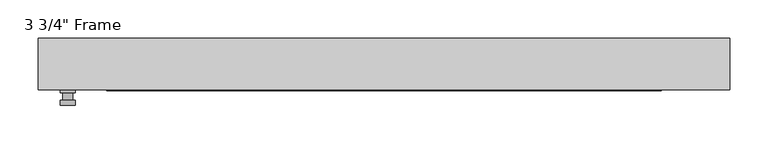
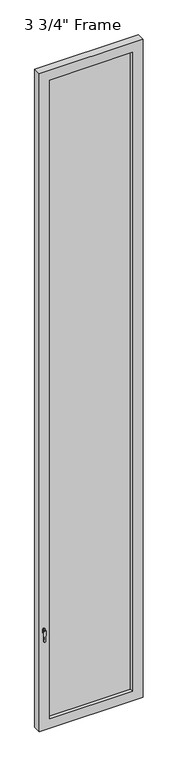
"""IFC4 building model written with IfcOpenShell, lengths in millimetres: plate geometry."""

from ifc_helpers import new_model, si_unit, frame, origin, place, context, project, spatial, polyline, circle_curve, outline, extrude, faceted_brep, source, transform, mapped, element, save
from ifc_brep_helpers import plane_surface, cylinder_surface, advanced_brep


def plate_312d7d65(model_context):
    return source(origin(), model_context, "Body", "SolidModel", [
        advanced_brep(
        [(-401.6375, -33.3375, 927.1), (-401.6375, -33.3375, 901.7), (-420.6875, -33.3375, 901.7), (-420.6875, -33.3375, 927.1), (-404.8125, -46.0375, 914.4), (-417.5125, -46.0375, 914.4), (-417.5125, -36.5125, 914.4), (-404.8125, -36.5125, 914.4), (-401.6375, -46.0375, 914.4), (-404.8165356, -46.0375, 825.2736467), (-417.5084644, -46.0375, 825.2736467), (-420.6875, -46.0375, 914.4), (-401.6375, -52.3875, 914.4), (-420.6875, -52.3875, 914.4), (-417.5084644, -52.3875, 825.2736467), (-404.8165356, -52.3875, 825.2736467), (-401.6375, -36.5125, 927.1), (-420.6875, -36.5125, 927.1), (-420.6875, -36.5125, 901.7), (-401.6375, -36.5125, 901.7)],
        [
            (0, 1),
            (1, 2, circle_curve(frame((-411.1625, -33.3375, 901.7), z_axis=(0.0, 1.0, 0.0), x_axis=(-1.0, 0.0, 0.0)), 9.525)),
            (2, 3),
            (3, 0, circle_curve(frame((-411.1625, -33.3375, 927.1), z_axis=(0.0, 1.0, 0.0), x_axis=(-1.0, 0.0, 0.0)), 9.525)),
            (4, 5, circle_curve(frame((-411.1625, -46.0375, 914.4), z_axis=(0.0, 1.0, 0.0), x_axis=(-1.0, 0.0, 0.0)), 6.35)),
            (5, 6),
            (6, 7, circle_curve(frame((-411.1625, -36.5125, 914.4), z_axis=(0.0, -1.0, 0.0), x_axis=(-1.0, 0.0, 0.0)), 6.35)),
            (7, 4),
            (5, 4, circle_curve(frame((-411.1625, -46.0375, 914.4), z_axis=(0.0, 1.0, 0.0), x_axis=(-1.0, 0.0, 0.0)), 6.35)),
            (7, 6, circle_curve(frame((-411.1625, -36.5125, 914.4), z_axis=(0.0, -1.0, 0.0), x_axis=(-1.0, 0.0, 0.0)), 6.35)),
            (8, 9),
            (9, 10, circle_curve(frame((-411.1625, -46.0375, 825.5), z_axis=(0.0, 1.0, 0.0), x_axis=(-1.0, 0.0, 0.0)), 6.35)),
            (10, 11),
            (11, 8, circle_curve(frame((-411.1625, -46.0375, 914.4), z_axis=(0.0, 1.0, 0.0), x_axis=(-1.0, 0.0, 0.0)), 9.525)),
            (12, 13, circle_curve(frame((-411.1625, -52.3875, 914.4), z_axis=(0.0, -1.0, 0.0), x_axis=(-1.0, 0.0, 0.0)), 9.525)),
            (13, 14),
            (14, 15, circle_curve(frame((-411.1625, -52.3875, 825.5), z_axis=(0.0, -1.0, 0.0), x_axis=(-1.0, 0.0, 0.0)), 6.35)),
            (15, 12),
            (8, 12),
            (15, 9),
            (14, 10),
            (13, 11),
            (16, 17, circle_curve(frame((-411.1625, -36.5125, 927.1), z_axis=(0.0, -1.0, 0.0), x_axis=(-1.0, 0.0, 0.0)), 9.525)),
            (17, 18),
            (18, 19, circle_curve(frame((-411.1625, -36.5125, 901.7), z_axis=(0.0, -1.0, 0.0), x_axis=(-1.0, 0.0, 0.0)), 9.525)),
            (19, 16),
            (0, 16),
            (19, 1),
            (18, 2),
            (17, 3),
        ],
        [
            plane_surface(frame((-417.5125, -33.3375, 914.4), z_axis=(0.0, 1.0, 0.0), x_axis=(0.0, 0.0, 1.0))),
            cylinder_surface(frame((-411.1625, -46.0375, 914.4), z_axis=(0.0, 1.0, 0.0), x_axis=(-1.0, 0.0, 0.0)), 6.35),
            plane_surface(frame((-401.6375, -46.0375, 914.4), z_axis=(0.0, 1.0000000000000002, 0.0), x_axis=(-0.03564619348186888, 0.0, -0.9993644724975235))),
            plane_surface(frame((-401.6375, -52.3875, 914.4), z_axis=(0.0, -1.0000000000000002, 0.0), x_axis=(0.03564619348186888, 0.0, 0.9993644724975235))),
            plane_surface(frame((-401.6375, -46.0375, 914.4), z_axis=(0.9993644724975235, 0.0, -0.03564619348186888), x_axis=(0.0, -1.0, 0.0))),
            cylinder_surface(frame((-411.1625, -52.3875, 825.5), z_axis=(0.0, 1.0, 0.0), x_axis=(-1.0, 0.0, 0.0)), 6.35),
            plane_surface(frame((-417.5084644, -46.0375, 825.2736467), z_axis=(-0.9993644724975228, 0.0, -0.03564619348188612), x_axis=(0.0, -1.0, 0.0))),
            cylinder_surface(frame((-411.1625, -52.3875, 914.4), z_axis=(0.0, 1.0, 0.0), x_axis=(-1.0, 0.0, 0.0)), 9.525),
            plane_surface(frame((-401.6375, -36.5125, 901.7), z_axis=(0.0, -1.0, 0.0), x_axis=(0.0, 0.0, 1.0))),
            plane_surface(frame((-401.6375, -33.3375, 927.1), z_axis=(1.0, 0.0, 0.0), x_axis=(0.0, -1.0, 0.0))),
            cylinder_surface(frame((-411.1625, -36.5125, 901.7), z_axis=(0.0, 1.0, 0.0), x_axis=(-1.0, 0.0, 0.0)), 9.525),
            plane_surface(frame((-420.6875, -33.3375, 901.7), z_axis=(-1.0, 0.0, 0.0), x_axis=(0.0, -1.0, 0.0))),
            cylinder_surface(frame((-411.1625, -36.5125, 927.1), z_axis=(0.0, 1.0, 0.0), x_axis=(-1.0, 0.0, 0.0)), 9.525),
        ],
        [
            (0, [[1, 2, 3, 4]]),
            (1, [[5, 6, 7, 8]]),
            (1, [[9, -8, 10, -6]]),
            (2, [[11, 12, 13, 14], [-5, -9]]),
            (3, [[15, 16, 17, 18]]),
            (4, [[-11, 19, -18, 20]]),
            (5, [[-12, -20, -17, 21]]),
            (6, [[-13, -21, -16, 22]]),
            (7, [[-14, -22, -15, -19]]),
            (8, [[23, 24, 25, 26], [-7, -10]]),
            (9, [[-1, 27, -26, 28]]),
            (10, [[-2, -28, -25, 29]]),
            (11, [[-3, -29, -24, 30]]),
            (12, [[-4, -30, -23, -27]]),
        ],
    ),
        faceted_brep([(-449.2625, -33.3375, 0.0), (-449.2625, 33.3375, 0.0), (449.2625, 33.3375, 0.0), (449.2625, -33.3375, 0.0), (449.2625, -33.3375, 6021.3875), (-449.2625, -33.3375, 6021.3875), (-360.3625, -33.3375, 5932.4875), (360.3625, -33.3375, 5932.4875), (360.3625, -33.3375, 88.9), (-360.3625, -33.3375, 88.9), (-449.2625, 33.3375, 6021.3875), (449.2625, 33.3375, 6021.3875), (-360.3625, 33.3375, 5932.4875), (-360.3625, 33.3375, 88.9), (360.3625, 33.3375, 88.9), (360.3625, 33.3375, 5932.4875), (-354.0125, 11.90625, 5926.1375), (-354.0125, 11.90625, 95.25), (366.7125, 11.90625, 5938.8375), (-366.7125, 11.90625, 5938.8375), (-366.7125, 11.90625, 82.55), (366.7125, 11.90625, 82.55), (354.0125, 11.90625, 5926.1375), (354.0125, 11.90625, 95.25), (-366.7125, -11.90625, 5938.8375), (-366.7125, -11.90625, 82.55), (366.7125, -11.90625, 5938.8375), (366.7125, -11.90625, 82.55), (-354.0125, -11.90625, 5926.1375), (-354.0125, -11.90625, 95.25), (354.0125, -11.90625, 95.25), (354.0125, -11.90625, 5926.1375)], [[[0, 1, 2, 3]], [[0, 3, 4, 5], [6, 7, 8, 9]], [[1, 0, 5, 10]], [[2, 1, 10, 11], [12, 13, 14, 15]], [[12, 16, 17, 13]], [[18, 19, 20, 21], [16, 22, 23, 17]], [[20, 19, 24, 25]], [[24, 26, 27, 25], [28, 29, 30, 31]], [[28, 6, 9, 29]], [[5, 4, 11, 10]], [[12, 15, 22, 16]], [[19, 18, 26, 24]], [[7, 6, 28, 31]], [[4, 3, 2, 11]], [[22, 15, 14, 23]], [[27, 26, 18, 21]], [[7, 31, 30, 8]], [[9, 8, 30, 29]], [[21, 20, 25, 27]], [[17, 23, 14, 13]]]),
        extrude(outline(polyline([(366.7125, -11.90625), (-366.7125, -11.90625), (-366.7125, 11.90625), (366.7125, 11.90625), (366.7125, -11.90625)])), frame((0.0, 0.0, 82.55), z_axis=(0.0, 0.0, 1.0), x_axis=(1.0, 0.0, 0.0)), (0.0, 0.0, 1.0), 5856.2875),
    ])


if __name__ == "__main__":
    model = new_model("IFC4")
    model_context = context("Model", 3, world=origin())
    ifc_project = project(units=[si_unit("LENGTHUNIT", "METRE", prefix="MILLI")], contexts=[model_context])
    site = spatial("IfcSite", under=ifc_project)
    building = spatial("IfcBuilding", under=site)
    placement = place(None, origin())
    plate_shape = plate_312d7d65(model_context)
    element("IfcPlate", 1, ObjectType="3 3/4\" Frame", at=placement, inside=building, context=model_context, shape_type="MappedRepresentation", body=[
        mapped(plate_shape, transform((0.0, 0.0, 0.0), x_axis=(1.0, 0.0, 0.0), y_axis=(0.0, 1.0, 0.0), z_axis=(0.0, 0.0, 1.0))),
    ])
    save(model, "model.ifc")
